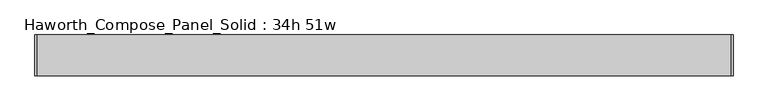
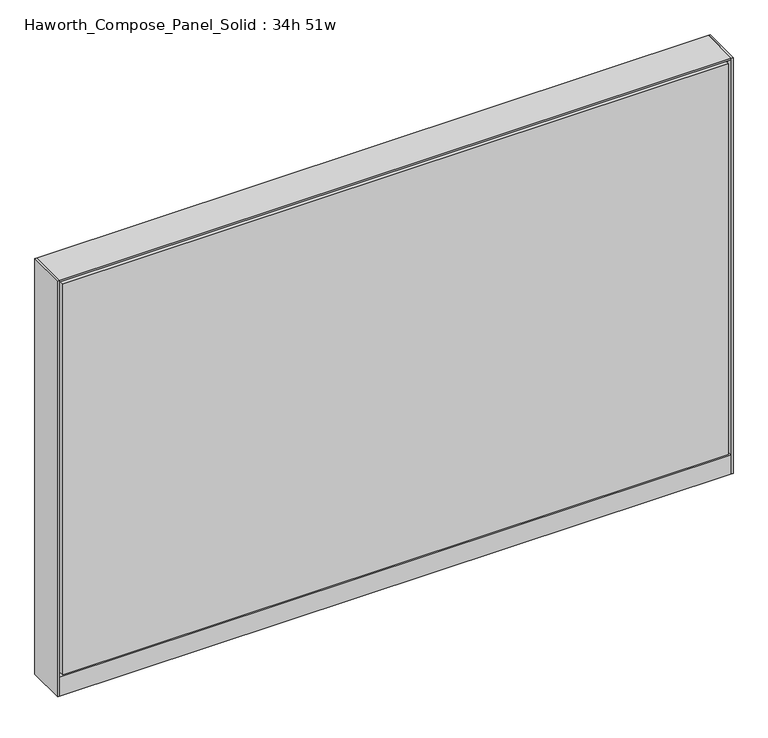
"""IFC4 building model written with IfcOpenShell, lengths in millimetres: furniture geometry, Haworth_Compose_Panel_Solid : 34h 51w."""

from ifc_helpers import new_model, si_unit, point, frame, frame_2d, origin, origin_with_axes, place, context, project, spatial, polyline, circle_curve, trimmed, segment, composite_curve, outline, extrude, source, transform, mapped, element, save


def haworth_compose_panel_solid_34h_51w_f2a873fc(model_context):
    return source(origin(), model_context, "Body", "SweptSolid", [
        extrude(outline(composite_curve([segment(trimmed(circle_curve(frame_2d((-569.0597098, 0.0)), 12.7), [point((-581.7597098, 0.0))], [point((-556.3597098, 0.0))], False, "CARTESIAN"), True, "CONTINUOUS"), segment(trimmed(circle_curve(frame_2d((-569.0597098, 0.0)), 12.7), [point((-556.3597098, 0.0))], [point((-581.7597098, 0.0))], False, "CARTESIAN"), True, "CONTINUOUS")], self_intersect=False)), origin_with_axes(), (0.0, 0.0, 1.0), 12.7),
        extrude(outline(composite_curve([segment(trimmed(circle_curve(frame_2d((573.9402902, 0.0)), 12.7), [point((561.2402902, 0.0))], [point((586.6402902, 0.0))], False, "CARTESIAN"), True, "CONTINUOUS"), segment(trimmed(circle_curve(frame_2d((573.9402902, 0.0)), 12.7), [point((586.6402902, 0.0))], [point((561.2402902, 0.0))], False, "CARTESIAN"), True, "CONTINUOUS")], self_intersect=False)), origin_with_axes(), (0.0, 0.0, 1.0), 12.7),
        extrude(outline(polyline([(-648.4347098, -38.1), (-648.4347098, 38.1), (-645.2597098, 38.1), (-645.2597098, -38.1), (-648.4347098, -38.1)])), frame((0.0, 0.0, 12.7), z_axis=(0.0, 0.0, 1.0), x_axis=(1.0, 0.0, 0.0)), (0.0, 0.0, 1.0), 847.725),
        extrude(outline(polyline([(653.3152902, -38.1), (650.1402902, -38.1), (650.1402902, 38.1), (653.3152902, 38.1), (653.3152902, -38.1)])), frame((0.0, 0.0, 12.7), z_axis=(0.0, 0.0, 1.0), x_axis=(1.0, 0.0, 0.0)), (0.0, 0.0, 1.0), 847.725),
        extrude(outline(polyline([(643.7902902, -38.1), (-638.9097098, -38.1), (-638.9097098, -25.4), (643.7902902, -25.4), (643.7902902, -38.1)])), frame((0.0, 0.0, 53.975), z_axis=(0.0, 0.0, 1.0), x_axis=(1.0, 0.0, 0.0)), (0.0, 0.0, 1.0), 796.925),
        extrude(outline(polyline([(643.7902902, 38.1), (643.7902902, 25.4), (-638.9097098, 25.4), (-638.9097098, 38.1), (643.7902902, 38.1)])), frame((0.0, 0.0, 53.975), z_axis=(0.0, 0.0, 1.0), x_axis=(1.0, 0.0, 0.0)), (0.0, 0.0, 1.0), 796.925),
        extrude(outline(polyline([(650.1402902, -25.4), (-645.2597098, -25.4), (-645.2597098, 25.4), (650.1402902, 25.4), (650.1402902, -25.4)])), frame((0.0, 0.0, 12.7), z_axis=(0.0, 0.0, 1.0), x_axis=(1.0, 0.0, 0.0)), (0.0, 0.0, 1.0), 844.55),
        extrude(outline(polyline([(-645.2597098, 38.1), (650.1402902, 38.1), (650.1402902, -38.1), (-645.2597098, -38.1), (-645.2597098, 38.1)])), frame((0.0, 0.0, 12.7), z_axis=(0.0, 0.0, 1.0), x_axis=(1.0, 0.0, 0.0)), (0.0, 0.0, 1.0), 38.1),
        extrude(outline(polyline([(-645.2597098, 38.1), (650.1402902, 38.1), (650.1402902, -38.1), (-645.2597098, -38.1), (-645.2597098, 38.1)])), frame((0.0, 0.0, 857.25), z_axis=(0.0, 0.0, 1.0), x_axis=(1.0, 0.0, 0.0)), (0.0, 0.0, 1.0), 3.175),
    ])


if __name__ == "__main__":
    model = new_model("IFC4")
    model_context = context("Model", 3, world=origin())
    ifc_project = project(units=[si_unit("LENGTHUNIT", "METRE", prefix="MILLI")], contexts=[model_context])
    site = spatial("IfcSite", under=ifc_project)
    building = spatial("IfcBuilding", under=site)
    placement = place(None, origin())
    haworth_compose_panel_solid_34h_51w_shape = haworth_compose_panel_solid_34h_51w_f2a873fc(model_context)
    element("IfcFurniture", 1, ObjectType="Haworth_Compose_Panel_Solid : 34h 51w", at=placement, inside=building, context=model_context, shape_type="MappedRepresentation", body=[
        mapped(haworth_compose_panel_solid_34h_51w_shape, transform((0.0, 0.0, 0.0), x_axis=(1.0, 0.0, 0.0), y_axis=(0.0, 1.0, 0.0), z_axis=(0.0, 0.0, 1.0))),
    ])
    save(model, "model.ifc")
